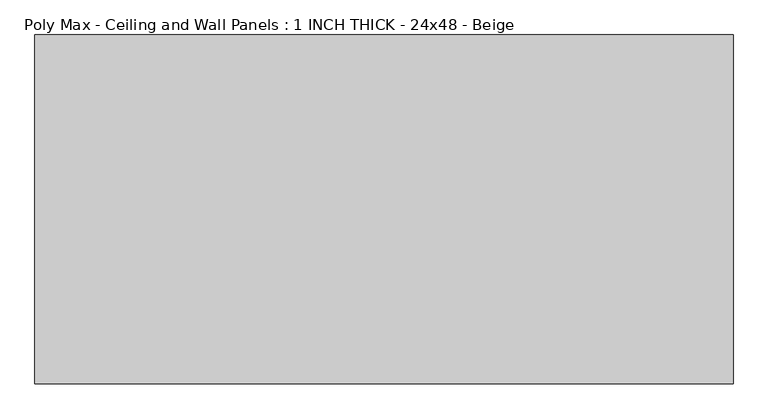
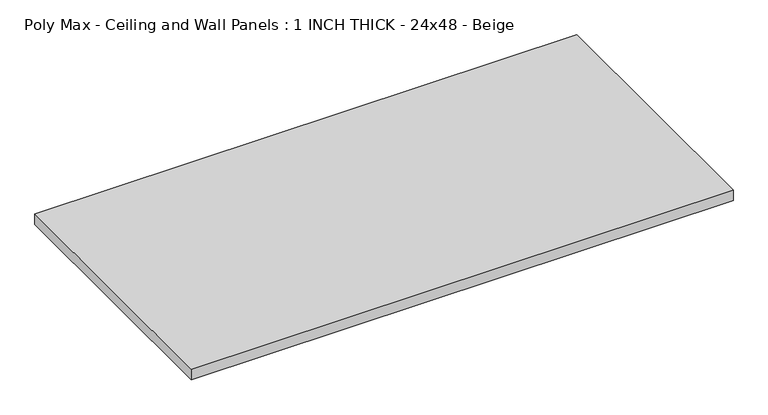
"""IFC4 building model written with IfcOpenShell, lengths in millimetres: proxy geometry, Poly Max - Ceiling and Wall Panels : 1 INCH THICK - 24x48 - Beige."""

from ifc_helpers import new_model, si_unit, origin, origin_with_axes, place, context, project, spatial, polyline, outline, extrude, source, transform, mapped, element, save


def poly_max_ceiling_and_wall_panels_1_inch_thick_24x48_beige_82ed4230(model_context):
    return source(origin(), model_context, "Body", "SweptSolid", [
        extrude(outline(polyline([(-609.6, 304.8), (609.6, 304.8), (609.6, -304.8), (-609.6, -304.8), (-609.6, 304.8)])), origin_with_axes(), (0.0, 0.0, 1.0), 25.4),
    ])


if __name__ == "__main__":
    model = new_model("IFC4")
    model_context = context("Model", 3, world=origin())
    ifc_project = project(units=[si_unit("LENGTHUNIT", "METRE", prefix="MILLI")], contexts=[model_context])
    site = spatial("IfcSite", under=ifc_project)
    building = spatial("IfcBuilding", under=site)
    placement = place(None, origin())
    poly_max_ceiling_and_wall_panels_1_inch_thick_24x48_beige_shape = poly_max_ceiling_and_wall_panels_1_inch_thick_24x48_beige_82ed4230(model_context)
    element("IfcBuildingElementProxy", 1, Name="Poly Max - Ceiling and Wall Panels : 1 INCH THICK - 24x48 - Beige", ObjectType="Poly Max - Ceiling and Wall Panels : 1 INCH THICK - 24x48 - Beige", at=placement, inside=building, context=model_context, shape_type="MappedRepresentation", body=[
        mapped(poly_max_ceiling_and_wall_panels_1_inch_thick_24x48_beige_shape, transform((0.0, 0.0, 0.0), x_axis=(1.0, 0.0, 0.0), y_axis=(0.0, 1.0, 0.0), z_axis=(0.0, 0.0, 1.0))),
    ])
    save(model, "model.ifc")
